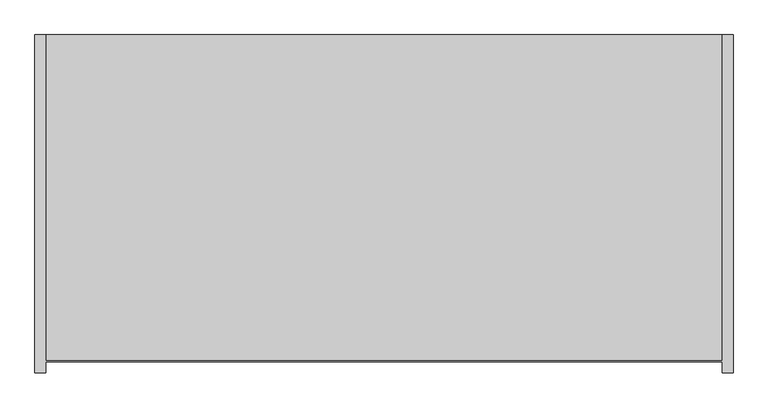
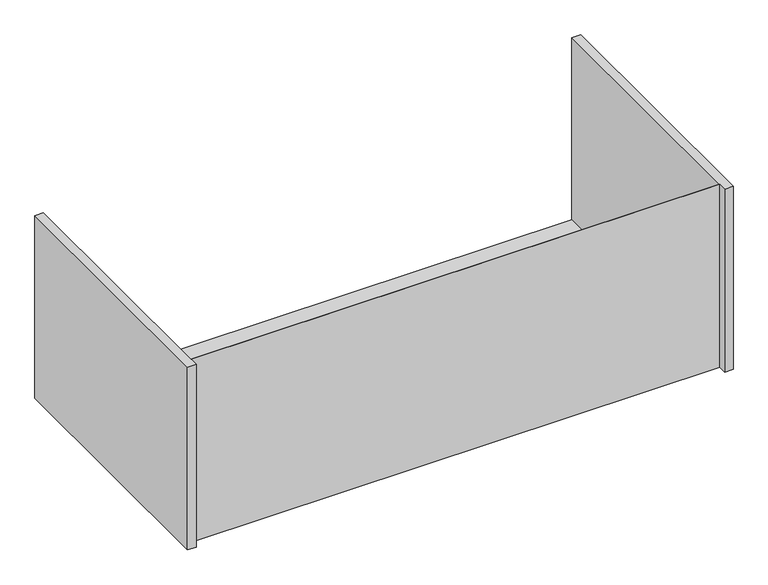
"""IFC4 building model written with IfcOpenShell, lengths in millimetres: furniture geometry."""

from ifc_helpers import new_model, si_unit, origin, place, context, project, spatial, faceted_brep, source, transform, mapped, element, save


def furniture_ea4a19f1(model_context):
    return source(origin(), model_context, "Body", "Brep", [
        faceted_brep([(590.55, -401.6375, 882.65), (-590.55, -401.6375, 882.65), (-590.55, 168.275, 882.65), (-609.6, 168.275, 882.65), (-609.6, -422.275, 882.65), (-590.55, -422.275, 882.65), (-590.55, -403.225, 882.65), (590.55, -403.225, 882.65), (590.55, -422.275, 882.65), (609.6, -422.275, 882.65), (609.6, 168.275, 882.65), (590.55, 168.275, 882.65), (-590.55, -403.225, 450.85), (590.55, -403.225, 450.85), (-590.55, -422.275, 450.85), (-609.6, -422.275, 450.85), (-609.6, 168.275, 450.85), (609.6, 168.275, 450.85), (609.6, -422.275, 450.85), (590.55, -422.275, 450.85), (-590.55, 168.275, 452.4375), (590.55, 168.275, 452.4375), (-590.55, -401.6375, 452.4375), (590.55, -401.6375, 452.4375)], [[[0, 1, 2, 3, 4, 5, 6, 7, 8, 9, 10, 11]], [[7, 6, 12, 13]], [[13, 12, 14, 15, 16, 17, 18, 19]], [[17, 16, 3, 2, 20, 21, 11, 10]], [[21, 20, 22, 23]], [[1, 0, 23, 22]], [[0, 11, 21, 23]], [[19, 8, 7, 13]], [[9, 8, 19, 18]], [[10, 9, 18, 17]], [[2, 1, 22, 20]], [[5, 14, 12, 6]], [[4, 3, 16, 15]], [[5, 4, 15, 14]]]),
    ])


if __name__ == "__main__":
    model = new_model("IFC4")
    model_context = context("Model", 3, world=origin())
    ifc_project = project(units=[si_unit("LENGTHUNIT", "METRE", prefix="MILLI")], contexts=[model_context])
    site = spatial("IfcSite", under=ifc_project)
    building = spatial("IfcBuilding", under=site)
    placement = place(None, origin())
    furniture_shape = furniture_ea4a19f1(model_context)
    element("IfcFurniture", 1, at=placement, inside=building, context=model_context, shape_type="MappedRepresentation", body=[
        mapped(furniture_shape, transform((0.0, 0.0, 0.0), x_axis=(1.0, 0.0, 0.0), y_axis=(0.0, 1.0, 0.0), z_axis=(0.0, 0.0, 1.0))),
    ])
    save(model, "model.ifc")
